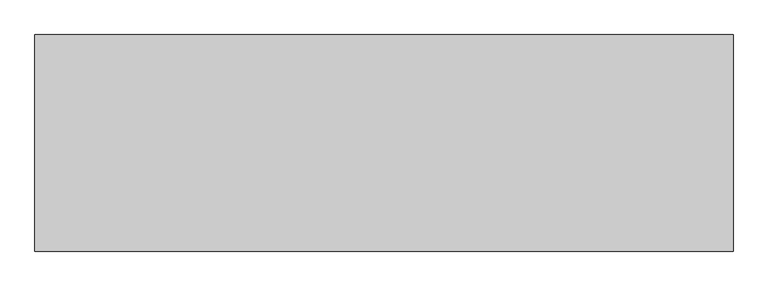
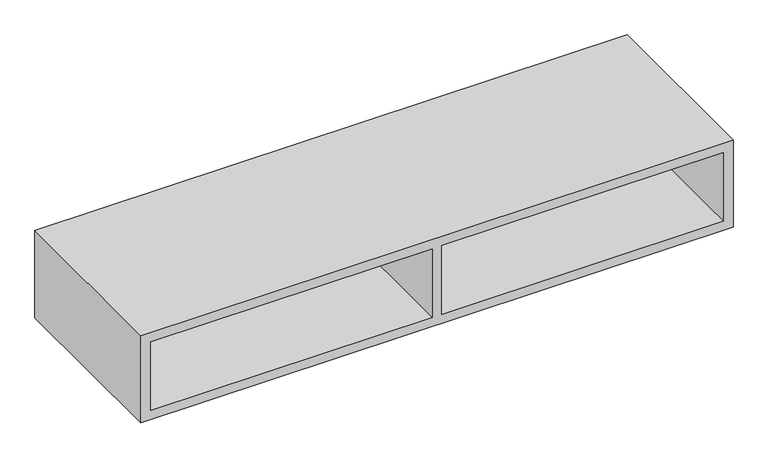
"""IFC4 building model written with IfcOpenShell, lengths in millimetres: furniture geometry."""

from ifc_helpers import new_model, si_unit, origin, place, context, project, spatial, faceted_brep, source, transform, mapped, element, save


def furniture_89ea27f3(model_context):
    return source(origin(), model_context, "Body", "Brep", [
        faceted_brep([(20.1673737, 32.7150845, 1115.6696643), (20.1673737, 32.7150845, 1264.8184093), (1198.0166263, 32.7150845, 1264.8184093), (1198.0166263, 32.7150845, 1115.6696643), (599.0084682, -320.802, 1115.6696643), (599.0084682, -320.802, 1264.8184093), (599.0084682, 12.5477108, 1264.8184093), (599.0084682, 12.5477108, 1115.6696643), (0.0, -320.802, 1095.502), (1218.184, -320.802, 1095.502), (1218.184, -320.802, 1115.6696643), (1218.184, -320.802, 1264.8184093), (1218.184, -320.802, 1284.9860736), (0.0, -320.802, 1284.9860736), (0.0, -320.802, 1264.8184093), (0.0, -320.802, 1115.6696643), (20.1673737, -320.802, 1115.6696643), (20.1673737, -320.802, 1264.8184093), (619.1755318, -320.802, 1115.6696643), (619.1755318, -320.802, 1264.8184093), (1198.0166263, -320.802, 1264.8184093), (1198.0166263, -320.802, 1115.6696643), (619.1755318, 12.5477108, 1115.6696643), (619.1755318, 12.5477108, 1264.8184093), (20.1673737, 12.5477108, 1115.6696643), (1198.0166263, 12.5477108, 1115.6696643), (1198.0166263, 57.15, 1115.6696643), (20.1673737, 57.15, 1115.6696643), (0.0, 57.15, 1095.502), (1218.184, 57.15, 1095.502), (0.0, 57.15, 1284.9860736), (1218.184, 57.15, 1284.9860736), (1198.0166263, 57.15, 1264.8184093), (20.1673737, 57.15, 1264.8184093), (20.1673737, 12.5477108, 1264.8184093), (1198.0166263, 12.5477108, 1264.8184093)], [[[0, 1, 2, 3]], [[4, 5, 6, 7]], [[8, 9, 10, 11, 12, 13, 14, 15], [5, 4, 16, 17], [18, 19, 20, 21]], [[19, 18, 22, 23]], [[16, 4, 7, 24]], [[18, 21, 25, 22]], [[26, 27, 0, 3]], [[8, 28, 29, 9]], [[28, 30, 31, 29], [27, 26, 32, 33]], [[30, 13, 12, 31]], [[13, 30, 28, 8, 15, 14]], [[17, 16, 24, 34]], [[27, 33, 1, 0]], [[31, 12, 11, 10, 9, 29]], [[21, 20, 35, 25]], [[32, 26, 3, 2]], [[5, 17, 34, 6]], [[20, 19, 23, 35]], [[33, 32, 2, 1]], [[7, 6, 34, 24]], [[23, 22, 25, 35]]]),
    ])


if __name__ == "__main__":
    model = new_model("IFC4")
    model_context = context("Model", 3, world=origin())
    ifc_project = project(units=[si_unit("LENGTHUNIT", "METRE", prefix="MILLI")], contexts=[model_context])
    site = spatial("IfcSite", under=ifc_project)
    building = spatial("IfcBuilding", under=site)
    placement = place(None, origin())
    furniture_shape = furniture_89ea27f3(model_context)
    element("IfcFurniture", 1, at=placement, inside=building, context=model_context, shape_type="MappedRepresentation", body=[
        mapped(furniture_shape, transform((0.0, 0.0, 0.0), x_axis=(1.0, 0.0, 0.0), y_axis=(0.0, 1.0, 0.0), z_axis=(0.0, 0.0, 1.0))),
    ])
    save(model, "model.ifc")
